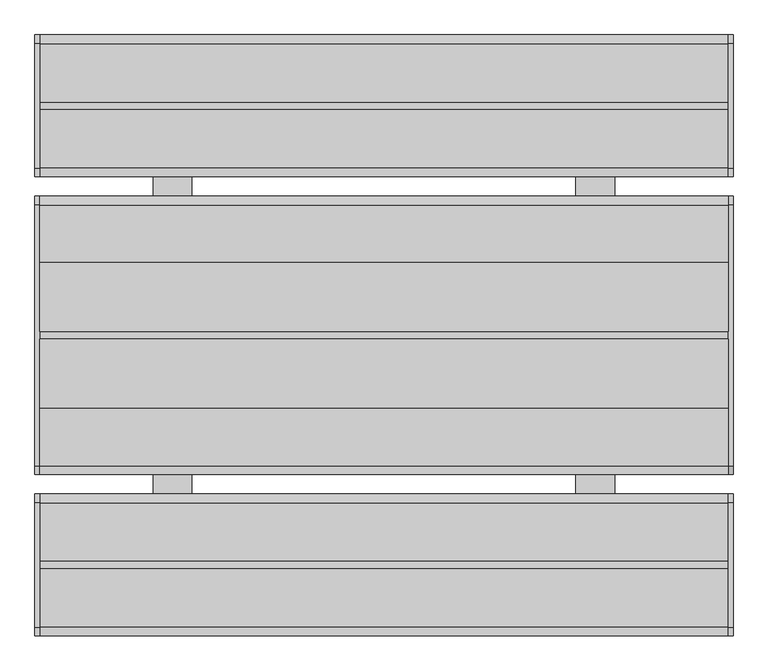
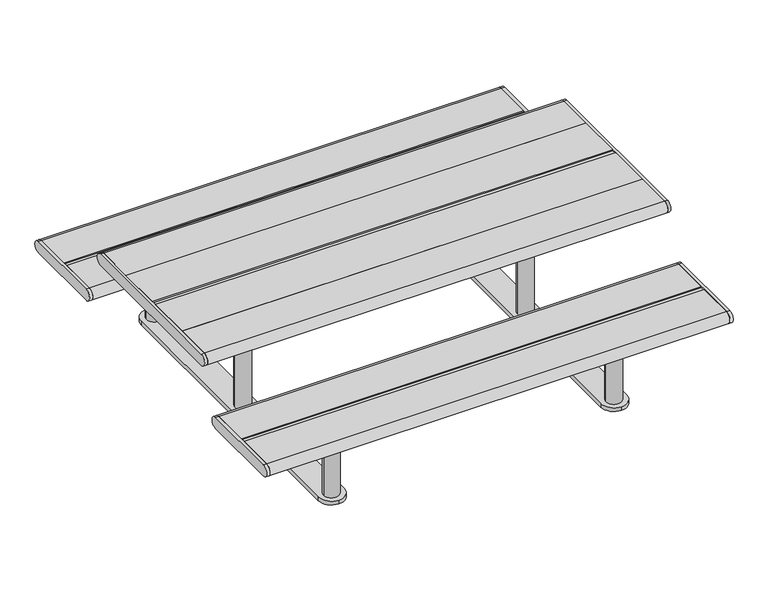
"""IFC4 building model written with IfcOpenShell, lengths in millimetres: furniture geometry."""

from ifc_helpers import new_model, si_unit, point, frame, frame_2d, origin, origin_with_axes, place, context, project, spatial, polyline, circle_curve, trimmed, segment, composite_curve, outline, extrude, source, transform, mapped, element, save


def furniture_7a754600(model_context):
    return source(origin(), model_context, "Body", "SweptSolid", [
        extrude(outline(composite_curve([segment(trimmed(circle_curve(frame_2d((590.0, 120.0)), 5.0), [point((590.0, 125.0))], [point((595.0, 120.0))], False, "CARTESIAN"), True, "CONTINUOUS"), segment(polyline([(595.0, 120.0), (595.0, -120.0)]), True, "CONTINUOUS"), segment(trimmed(circle_curve(frame_2d((590.0, -120.0)), 5.0), [point((595.0, -120.0))], [point((590.0, -125.0))], False, "CARTESIAN"), True, "CONTINUOUS"), segment(polyline([(590.0, -125.0), (500.0, -125.0)]), True, "CONTINUOUS"), segment(trimmed(circle_curve(frame_2d((500.0, -120.0)), 5.0), [point((500.0, -125.0))], [point((495.0, -120.0))], False, "CARTESIAN"), True, "CONTINUOUS"), segment(polyline([(495.0, -120.0), (495.0, 120.0)]), True, "CONTINUOUS"), segment(trimmed(circle_curve(frame_2d((500.0, 120.0)), 5.0), [point((495.0, 120.0))], [point((500.0, 125.0))], False, "CARTESIAN"), True, "CONTINUOUS"), segment(polyline([(500.0, 125.0), (590.0, 125.0)]), True, "CONTINUOUS")], self_intersect=False)), frame((0.0, 0.0, 489.0), z_axis=(0.0, 0.0, 1.0), x_axis=(1.0, 0.0, 0.0)), (0.0, 0.0, 1.0), 7.85),
        extrude(outline(composite_curve([segment(trimmed(circle_curve(frame_2d((590.0, 295.0)), 5.0), [point((590.0, 300.0))], [point((595.0, 295.0))], False, "CARTESIAN"), True, "CONTINUOUS"), segment(polyline([(595.0, 295.0), (595.0, -295.0)]), True, "CONTINUOUS"), segment(trimmed(circle_curve(frame_2d((590.0, -295.0)), 5.0), [point((595.0, -295.0))], [point((590.0, -300.0))], False, "CARTESIAN"), True, "CONTINUOUS"), segment(polyline([(590.0, -300.0), (500.0, -300.0)]), True, "CONTINUOUS"), segment(trimmed(circle_curve(frame_2d((500.0, -295.0)), 5.0), [point((500.0, -300.0))], [point((495.0, -295.0))], False, "CARTESIAN"), True, "CONTINUOUS"), segment(polyline([(495.0, -295.0), (495.0, 295.0)]), True, "CONTINUOUS"), segment(trimmed(circle_curve(frame_2d((500.0, 295.0)), 5.0), [point((495.0, 295.0))], [point((500.0, 300.0))], False, "CARTESIAN"), True, "CONTINUOUS"), segment(polyline([(500.0, 300.0), (590.0, 300.0)]), True, "CONTINUOUS")], self_intersect=False)), frame((0.0, 0.0, 496.85), z_axis=(0.0, 0.0, 1.0), x_axis=(1.0, 0.0, 0.0)), (0.0, 0.0, 1.0), 7.85),
        extrude(outline(composite_curve([segment(polyline([(-590.0, 125.0), (-500.0, 125.0)]), True, "CONTINUOUS"), segment(trimmed(circle_curve(frame_2d((-500.0, 120.0)), 5.0), [point((-500.0, 125.0))], [point((-495.0, 120.0))], False, "CARTESIAN"), True, "CONTINUOUS"), segment(polyline([(-495.0, 120.0), (-495.0, -120.0)]), True, "CONTINUOUS"), segment(trimmed(circle_curve(frame_2d((-500.0, -120.0)), 5.0), [point((-495.0, -120.0))], [point((-500.0, -125.0))], False, "CARTESIAN"), True, "CONTINUOUS"), segment(polyline([(-500.0, -125.0), (-590.0, -125.0)]), True, "CONTINUOUS"), segment(trimmed(circle_curve(frame_2d((-590.0, -120.0)), 5.0), [point((-590.0, -125.0))], [point((-595.0, -120.0))], False, "CARTESIAN"), True, "CONTINUOUS"), segment(polyline([(-595.0, -120.0), (-595.0, 120.0)]), True, "CONTINUOUS"), segment(trimmed(circle_curve(frame_2d((-590.0, 120.0)), 5.0), [point((-595.0, 120.0))], [point((-590.0, 125.0))], False, "CARTESIAN"), True, "CONTINUOUS")], self_intersect=False)), frame((0.0, 0.0, 489.0), z_axis=(0.0, 0.0, 1.0), x_axis=(1.0, 0.0, 0.0)), (0.0, 0.0, 1.0), 7.85),
        extrude(outline(composite_curve([segment(polyline([(-590.0, 300.0), (-500.0, 300.0)]), True, "CONTINUOUS"), segment(trimmed(circle_curve(frame_2d((-500.0, 295.0)), 5.0), [point((-500.0, 300.0))], [point((-495.0, 295.0))], False, "CARTESIAN"), True, "CONTINUOUS"), segment(polyline([(-495.0, 295.0), (-495.0, -295.0)]), True, "CONTINUOUS"), segment(trimmed(circle_curve(frame_2d((-500.0, -295.0)), 5.0), [point((-495.0, -295.0))], [point((-500.0, -300.0))], False, "CARTESIAN"), True, "CONTINUOUS"), segment(polyline([(-500.0, -300.0), (-590.0, -300.0)]), True, "CONTINUOUS"), segment(trimmed(circle_curve(frame_2d((-590.0, -295.0)), 5.0), [point((-590.0, -300.0))], [point((-595.0, -295.0))], False, "CARTESIAN"), True, "CONTINUOUS"), segment(polyline([(-595.0, -295.0), (-595.0, 295.0)]), True, "CONTINUOUS"), segment(trimmed(circle_curve(frame_2d((-590.0, 295.0)), 5.0), [point((-595.0, 295.0))], [point((-590.0, 300.0))], False, "CARTESIAN"), True, "CONTINUOUS")], self_intersect=False)), frame((0.0, 0.0, 496.85), z_axis=(0.0, 0.0, 1.0), x_axis=(1.0, 0.0, 0.0)), (0.0, 0.0, 1.0), 7.85),
        extrude(outline(polyline([(888.0, -10.0), (888.0, -187.75), (-887.5, -187.75), (-887.5, -10.0), (888.0, -10.0)])), frame((0.0, 0.0, 504.7), z_axis=(0.0, 0.0, 1.0), x_axis=(1.0, 0.0, 0.0)), (0.0, 0.0, 1.0), 45.0),
        extrude(outline(polyline([(888.0, 187.75), (888.0, 10.0), (-887.5, 10.0), (-887.5, 187.75), (888.0, 187.75)])), frame((0.0, 0.0, 504.7), z_axis=(0.0, 0.0, 1.0), x_axis=(1.0, 0.0, 0.0)), (0.0, 0.0, 1.0), 45.0),
        extrude(outline(composite_curve([segment(polyline([(187.75, 549.7), (336.4998635, 549.7)]), True, "CONTINUOUS"), segment(trimmed(circle_curve(frame_2d((336.4998635, 527.2)), 22.5), [point((336.4998635, 549.7))], [point((336.4998635, 504.7))], False, "CARTESIAN"), True, "CONTINUOUS"), segment(polyline([(336.4998635, 504.7), (187.75, 504.7), (187.75, 549.7)]), True, "CONTINUOUS")], self_intersect=False)), frame((-887.5, 0.0, 0.0), z_axis=(1.0, 0.0, 0.0), x_axis=(0.0, 1.0, 0.0)), (0.0, 0.0, 1.0), 1775.5),
        extrude(outline(composite_curve([segment(polyline([(-187.75, 549.7), (-187.75, 504.7), (-336.4998635, 504.7)]), True, "CONTINUOUS"), segment(trimmed(circle_curve(frame_2d((-336.4998635, 527.2)), 22.5), [point((-336.4998635, 504.7))], [point((-336.4998635, 549.7))], False, "CARTESIAN"), True, "CONTINUOUS"), segment(polyline([(-336.4998635, 549.7), (-187.75, 549.7)]), True, "CONTINUOUS")], self_intersect=False)), frame((-887.5, 0.0, 0.0), z_axis=(1.0, 0.0, 0.0), x_axis=(0.0, 1.0, 0.0)), (0.0, 0.0, 1.0), 1775.5),
        extrude(outline(polyline([(888.0, 10.0), (888.0, -10.0), (-887.5, -10.0), (-887.5, 10.0), (888.0, 10.0)])), frame((0.0, 0.0, 504.7), z_axis=(0.0, 0.0, 1.0), x_axis=(1.0, 0.0, 0.0)), (0.0, 0.0, 1.0), 40.0),
        extrude(outline(composite_curve([segment(trimmed(circle_curve(frame_2d((336.5, 527.2)), 22.5), [point((336.5, 549.7))], [point((336.5, 504.7))], False, "CARTESIAN"), True, "CONTINUOUS"), segment(polyline([(336.5, 504.7), (-336.5, 504.7)]), True, "CONTINUOUS"), segment(trimmed(circle_curve(frame_2d((-336.5, 527.2)), 22.5), [point((-336.5, 504.7))], [point((-336.5, 549.7))], False, "CARTESIAN"), True, "CONTINUOUS"), segment(polyline([(-336.5, 549.7), (336.5, 549.7)]), True, "CONTINUOUS")], self_intersect=False)), frame((888.0, 0.0, 0.0), z_axis=(1.0, 0.0, 0.0), x_axis=(0.0, 1.0, 0.0)), (0.0, 0.0, 1.0), 12.0),
        extrude(outline(composite_curve([segment(trimmed(circle_curve(frame_2d((336.5, 527.2)), 22.5), [point((336.5, 549.7))], [point((336.5, 504.7))], False, "CARTESIAN"), True, "CONTINUOUS"), segment(polyline([(336.5, 504.7), (-336.5, 504.7)]), True, "CONTINUOUS"), segment(trimmed(circle_curve(frame_2d((-336.5, 527.2)), 22.5), [point((-336.5, 504.7))], [point((-336.5, 549.7))], False, "CARTESIAN"), True, "CONTINUOUS"), segment(polyline([(-336.5, 549.7), (336.5, 549.7)]), True, "CONTINUOUS")], self_intersect=False)), frame((-899.5, 0.0, 0.0), z_axis=(1.0, 0.0, 0.0), x_axis=(0.0, 1.0, 0.0)), (0.0, 0.0, 1.0), 12.0),
        extrude(outline(composite_curve([segment(trimmed(circle_curve(frame_2d((752.5, 327.2)), 22.5), [point((752.5, 349.7))], [point((752.5, 304.7))], False, "CARTESIAN"), True, "CONTINUOUS"), segment(polyline([(752.5, 304.7), (431.5, 304.7)]), True, "CONTINUOUS"), segment(trimmed(circle_curve(frame_2d((431.5, 327.2)), 22.5), [point((431.5, 304.7))], [point((431.5, 349.7))], False, "CARTESIAN"), True, "CONTINUOUS"), segment(polyline([(431.5, 349.7), (752.5, 349.7)]), True, "CONTINUOUS")], self_intersect=False)), frame((888.0, 0.0, 0.0), z_axis=(1.0, 0.0, 0.0), x_axis=(0.0, 1.0, 0.0)), (0.0, 0.0, 1.0), 12.0),
        extrude(outline(composite_curve([segment(trimmed(circle_curve(frame_2d((752.5, 327.2)), 22.5), [point((752.5, 349.7))], [point((752.5, 304.7))], False, "CARTESIAN"), True, "CONTINUOUS"), segment(polyline([(752.5, 304.7), (431.5, 304.7)]), True, "CONTINUOUS"), segment(trimmed(circle_curve(frame_2d((431.5, 327.2)), 22.5), [point((431.5, 304.7))], [point((431.5, 349.7))], False, "CARTESIAN"), True, "CONTINUOUS"), segment(polyline([(431.5, 349.7), (752.5, 349.7)]), True, "CONTINUOUS")], self_intersect=False)), frame((-899.5, 0.0, 0.0), z_axis=(1.0, 0.0, 0.0), x_axis=(0.0, 1.0, 0.0)), (0.0, 0.0, 1.0), 12.0),
        extrude(outline(composite_curve([segment(polyline([(-752.5, 349.7), (-431.5, 349.7)]), True, "CONTINUOUS"), segment(trimmed(circle_curve(frame_2d((-431.5, 327.2)), 22.5), [point((-431.5, 349.7))], [point((-431.5, 304.7))], False, "CARTESIAN"), True, "CONTINUOUS"), segment(polyline([(-431.5, 304.7), (-752.5, 304.7)]), True, "CONTINUOUS"), segment(trimmed(circle_curve(frame_2d((-752.5, 327.2)), 22.5), [point((-752.5, 304.7))], [point((-752.5, 349.7))], False, "CARTESIAN"), True, "CONTINUOUS")], self_intersect=False)), frame((888.0, 0.0, 0.0), z_axis=(1.0, 0.0, 0.0), x_axis=(0.0, 1.0, 0.0)), (0.0, 0.0, 1.0), 12.0),
        extrude(outline(composite_curve([segment(polyline([(-752.5, 349.7), (-431.5, 349.7)]), True, "CONTINUOUS"), segment(trimmed(circle_curve(frame_2d((-431.5, 327.2)), 22.5), [point((-431.5, 349.7))], [point((-431.5, 304.7))], False, "CARTESIAN"), True, "CONTINUOUS"), segment(polyline([(-431.5, 304.7), (-752.5, 304.7)]), True, "CONTINUOUS"), segment(trimmed(circle_curve(frame_2d((-752.5, 327.2)), 22.5), [point((-752.5, 304.7))], [point((-752.5, 349.7))], False, "CARTESIAN"), True, "CONTINUOUS")], self_intersect=False)), frame((-899.5, 0.0, 0.0), z_axis=(1.0, 0.0, 0.0), x_axis=(0.0, 1.0, 0.0)), (0.0, 0.0, 1.0), 12.0),
        extrude(outline(composite_curve([segment(polyline([(590.0, -717.0), (500.0, -717.0)]), True, "CONTINUOUS"), segment(trimmed(circle_curve(frame_2d((500.0, -712.0)), 5.0), [point((500.0, -717.0))], [point((495.0, -712.0))], False, "CARTESIAN"), True, "CONTINUOUS"), segment(polyline([(495.0, -712.0), (495.0, -472.0)]), True, "CONTINUOUS"), segment(trimmed(circle_curve(frame_2d((500.0, -472.0)), 5.0), [point((495.0, -472.0))], [point((500.0, -467.0))], False, "CARTESIAN"), True, "CONTINUOUS"), segment(polyline([(500.0, -467.0), (590.0, -467.0)]), True, "CONTINUOUS"), segment(trimmed(circle_curve(frame_2d((590.0, -472.0)), 5.0), [point((590.0, -467.0))], [point((595.0, -472.0))], False, "CARTESIAN"), True, "CONTINUOUS"), segment(polyline([(595.0, -472.0), (595.0, -712.0)]), True, "CONTINUOUS"), segment(trimmed(circle_curve(frame_2d((590.0, -712.0)), 5.0), [point((595.0, -712.0))], [point((590.0, -717.0))], False, "CARTESIAN"), True, "CONTINUOUS")], self_intersect=False)), frame((0.0, 0.0, 289.0), z_axis=(0.0, 0.0, 1.0), x_axis=(1.0, 0.0, 0.0)), (0.0, 0.0, 1.0), 15.7),
        extrude(outline(composite_curve([segment(trimmed(circle_curve(frame_2d((590.0, 712.0)), 5.0), [point((590.0, 717.0))], [point((595.0, 712.0))], False, "CARTESIAN"), True, "CONTINUOUS"), segment(polyline([(595.0, 712.0), (595.0, 472.0)]), True, "CONTINUOUS"), segment(trimmed(circle_curve(frame_2d((590.0, 472.0)), 5.0), [point((595.0, 472.0))], [point((590.0, 467.0))], False, "CARTESIAN"), True, "CONTINUOUS"), segment(polyline([(590.0, 467.0), (500.0, 467.0)]), True, "CONTINUOUS"), segment(trimmed(circle_curve(frame_2d((500.0, 472.0)), 5.0), [point((500.0, 467.0))], [point((495.0, 472.0))], False, "CARTESIAN"), True, "CONTINUOUS"), segment(polyline([(495.0, 472.0), (495.0, 712.0)]), True, "CONTINUOUS"), segment(trimmed(circle_curve(frame_2d((500.0, 712.0)), 5.0), [point((495.0, 712.0))], [point((500.0, 717.0))], False, "CARTESIAN"), True, "CONTINUOUS"), segment(polyline([(500.0, 717.0), (590.0, 717.0)]), True, "CONTINUOUS")], self_intersect=False)), frame((0.0, 0.0, 289.0), z_axis=(0.0, 0.0, 1.0), x_axis=(1.0, 0.0, 0.0)), (0.0, 0.0, 1.0), 15.7),
        extrude(outline(composite_curve([segment(trimmed(circle_curve(frame_2d((-590.0, -712.0)), 5.0), [point((-590.0, -717.0))], [point((-595.0, -712.0))], False, "CARTESIAN"), True, "CONTINUOUS"), segment(polyline([(-595.0, -712.0), (-595.0, -472.0)]), True, "CONTINUOUS"), segment(trimmed(circle_curve(frame_2d((-590.0, -472.0)), 5.0), [point((-595.0, -472.0))], [point((-590.0, -467.0))], False, "CARTESIAN"), True, "CONTINUOUS"), segment(polyline([(-590.0, -467.0), (-500.0, -467.0)]), True, "CONTINUOUS"), segment(trimmed(circle_curve(frame_2d((-500.0, -472.0)), 5.0), [point((-500.0, -467.0))], [point((-495.0, -472.0))], False, "CARTESIAN"), True, "CONTINUOUS"), segment(polyline([(-495.0, -472.0), (-495.0, -712.0)]), True, "CONTINUOUS"), segment(trimmed(circle_curve(frame_2d((-500.0, -712.0)), 5.0), [point((-495.0, -712.0))], [point((-500.0, -717.0))], False, "CARTESIAN"), True, "CONTINUOUS"), segment(polyline([(-500.0, -717.0), (-590.0, -717.0)]), True, "CONTINUOUS")], self_intersect=False)), frame((0.0, 0.0, 289.0), z_axis=(0.0, 0.0, 1.0), x_axis=(1.0, 0.0, 0.0)), (0.0, 0.0, 1.0), 15.7),
        extrude(outline(composite_curve([segment(polyline([(-590.0, 717.0), (-500.0, 717.0)]), True, "CONTINUOUS"), segment(trimmed(circle_curve(frame_2d((-500.0, 712.0)), 5.0), [point((-500.0, 717.0))], [point((-495.0, 712.0))], False, "CARTESIAN"), True, "CONTINUOUS"), segment(polyline([(-495.0, 712.0), (-495.0, 472.0)]), True, "CONTINUOUS"), segment(trimmed(circle_curve(frame_2d((-500.0, 472.0)), 5.0), [point((-495.0, 472.0))], [point((-500.0, 467.0))], False, "CARTESIAN"), True, "CONTINUOUS"), segment(polyline([(-500.0, 467.0), (-590.0, 467.0)]), True, "CONTINUOUS"), segment(trimmed(circle_curve(frame_2d((-590.0, 472.0)), 5.0), [point((-590.0, 467.0))], [point((-595.0, 472.0))], False, "CARTESIAN"), True, "CONTINUOUS"), segment(polyline([(-595.0, 472.0), (-595.0, 712.0)]), True, "CONTINUOUS"), segment(trimmed(circle_curve(frame_2d((-590.0, 712.0)), 5.0), [point((-595.0, 712.0))], [point((-590.0, 717.0))], False, "CARTESIAN"), True, "CONTINUOUS")], self_intersect=False)), frame((0.0, 0.0, 289.0), z_axis=(0.0, 0.0, 1.0), x_axis=(1.0, 0.0, 0.0)), (0.0, 0.0, 1.0), 15.7),
        extrude(outline(composite_curve([segment(polyline([(602.0, 349.7), (752.4998424, 349.7)]), True, "CONTINUOUS"), segment(trimmed(circle_curve(frame_2d((752.4998424, 327.2)), 22.5), [point((752.4998424, 349.7))], [point((752.4998424, 304.7))], False, "CARTESIAN"), True, "CONTINUOUS"), segment(polyline([(752.4998424, 304.7), (602.0, 304.7), (602.0, 349.7)]), True, "CONTINUOUS")], self_intersect=False)), frame((-887.5, 0.0, 0.0), z_axis=(1.0, 0.0, 0.0), x_axis=(0.0, 1.0, 0.0)), (0.0, 0.0, 1.0), 1775.5),
        extrude(outline(composite_curve([segment(polyline([(-582.0, 349.7), (-431.5001576, 349.7)]), True, "CONTINUOUS"), segment(trimmed(circle_curve(frame_2d((-431.5001576, 327.2)), 22.5), [point((-431.5001576, 349.7))], [point((-431.5001576, 304.7))], False, "CARTESIAN"), True, "CONTINUOUS"), segment(polyline([(-431.5001576, 304.7), (-582.0, 304.7), (-582.0, 349.7)]), True, "CONTINUOUS")], self_intersect=False)), frame((-887.5, 0.0, 0.0), z_axis=(1.0, 0.0, 0.0), x_axis=(0.0, 1.0, 0.0)), (0.0, 0.0, 1.0), 1775.5),
        extrude(outline(composite_curve([segment(polyline([(-602.0, 349.7), (-602.0, 304.7), (-752.4998424, 304.7)]), True, "CONTINUOUS"), segment(trimmed(circle_curve(frame_2d((-752.4998424, 327.2)), 22.5), [point((-752.4998424, 304.7))], [point((-752.4998424, 349.7))], False, "CARTESIAN"), True, "CONTINUOUS"), segment(polyline([(-752.4998424, 349.7), (-602.0, 349.7)]), True, "CONTINUOUS")], self_intersect=False)), frame((-887.5, 0.0, 0.0), z_axis=(1.0, 0.0, 0.0), x_axis=(0.0, 1.0, 0.0)), (0.0, 0.0, 1.0), 1775.5),
        extrude(outline(polyline([(888.0, -582.0), (888.0, -602.0), (-887.5, -602.0), (-887.5, -582.0), (888.0, -582.0)])), frame((0.0, 0.0, 304.7), z_axis=(0.0, 0.0, 1.0), x_axis=(1.0, 0.0, 0.0)), (0.0, 0.0, 1.0), 40.0),
        extrude(outline(composite_curve([segment(polyline([(582.0, 349.7), (582.0, 304.7), (431.5001576, 304.7)]), True, "CONTINUOUS"), segment(trimmed(circle_curve(frame_2d((431.5001576, 327.2)), 22.5), [point((431.5001576, 304.7))], [point((431.5001576, 349.7))], False, "CARTESIAN"), True, "CONTINUOUS"), segment(polyline([(431.5001576, 349.7), (582.0, 349.7)]), True, "CONTINUOUS")], self_intersect=False)), frame((-887.5, 0.0, 0.0), z_axis=(1.0, 0.0, 0.0), x_axis=(0.0, 1.0, 0.0)), (0.0, 0.0, 1.0), 1775.5),
        extrude(outline(polyline([(888.0, 602.0), (888.0, 582.0), (-887.5, 582.0), (-887.5, 602.0), (888.0, 602.0)])), frame((0.0, 0.0, 304.7), z_axis=(0.0, 0.0, 1.0), x_axis=(1.0, 0.0, 0.0)), (0.0, 0.0, 1.0), 40.0),
        extrude(outline(composite_curve([segment(trimmed(circle_curve(frame_2d((545.0, 0.0)), 30.0), [point((575.0, 0.0))], [point((515.0, 0.0))], False, "CARTESIAN"), True, "CONTINUOUS"), segment(trimmed(circle_curve(frame_2d((545.0, 0.0)), 30.0), [point((515.0, 0.0))], [point((575.0, 0.0))], False, "CARTESIAN"), True, "CONTINUOUS")], self_intersect=False)), frame((0.0, 0.0, 15.0), z_axis=(0.0, 0.0, 1.0), x_axis=(1.0, 0.0, 0.0)), (0.0, 0.0, 1.0), 474.0),
        extrude(outline(composite_curve([segment(trimmed(circle_curve(frame_2d((545.0, -592.0)), 30.0), [point((575.0, -592.0))], [point((515.0, -592.0))], False, "CARTESIAN"), True, "CONTINUOUS"), segment(trimmed(circle_curve(frame_2d((545.0, -592.0)), 30.0), [point((515.0, -592.0))], [point((575.0, -592.0))], False, "CARTESIAN"), True, "CONTINUOUS")], self_intersect=False)), frame((0.0, 0.0, 15.0), z_axis=(0.0, 0.0, 1.0), x_axis=(1.0, 0.0, 0.0)), (0.0, 0.0, 1.0), 274.0),
        extrude(outline(composite_curve([segment(trimmed(circle_curve(frame_2d((545.0, 592.0)), 30.0), [point((575.0, 592.0))], [point((515.0, 592.0))], False, "CARTESIAN"), True, "CONTINUOUS"), segment(trimmed(circle_curve(frame_2d((545.0, 592.0)), 30.0), [point((515.0, 592.0))], [point((575.0, 592.0))], False, "CARTESIAN"), True, "CONTINUOUS")], self_intersect=False)), frame((0.0, 0.0, 15.0), z_axis=(0.0, 0.0, 1.0), x_axis=(1.0, 0.0, 0.0)), (0.0, 0.0, 1.0), 274.0),
        extrude(outline(composite_curve([segment(trimmed(circle_curve(frame_2d((-545.0, 0.0)), 30.0), [point((-575.0, 0.0))], [point((-515.0, 0.0))], False, "CARTESIAN"), True, "CONTINUOUS"), segment(trimmed(circle_curve(frame_2d((-545.0, 0.0)), 30.0), [point((-515.0, 0.0))], [point((-575.0, 0.0))], False, "CARTESIAN"), True, "CONTINUOUS")], self_intersect=False)), frame((0.0, 0.0, 15.0), z_axis=(0.0, 0.0, 1.0), x_axis=(1.0, 0.0, 0.0)), (0.0, 0.0, 1.0), 474.0),
        extrude(outline(composite_curve([segment(trimmed(circle_curve(frame_2d((-545.0, -592.0)), 30.0), [point((-575.0, -592.0))], [point((-515.0, -592.0))], False, "CARTESIAN"), True, "CONTINUOUS"), segment(trimmed(circle_curve(frame_2d((-545.0, -592.0)), 30.0), [point((-515.0, -592.0))], [point((-575.0, -592.0))], False, "CARTESIAN"), True, "CONTINUOUS")], self_intersect=False)), frame((0.0, 0.0, 15.0), z_axis=(0.0, 0.0, 1.0), x_axis=(1.0, 0.0, 0.0)), (0.0, 0.0, 1.0), 274.0),
        extrude(outline(composite_curve([segment(trimmed(circle_curve(frame_2d((-545.0, 592.0)), 30.0), [point((-575.0, 592.0))], [point((-515.0, 592.0))], False, "CARTESIAN"), True, "CONTINUOUS"), segment(trimmed(circle_curve(frame_2d((-545.0, 592.0)), 30.0), [point((-515.0, 592.0))], [point((-575.0, 592.0))], False, "CARTESIAN"), True, "CONTINUOUS")], self_intersect=False)), frame((0.0, 0.0, 15.0), z_axis=(0.0, 0.0, 1.0), x_axis=(1.0, 0.0, 0.0)), (0.0, 0.0, 1.0), 274.0),
        extrude(outline(composite_curve([segment(polyline([(-595.0, -592.0), (-595.0, 592.0)]), True, "CONTINUOUS"), segment(trimmed(circle_curve(frame_2d((-545.0, 592.0)), 50.0), [point((-595.0, 592.0))], [point((-495.0, 592.0))], False, "CARTESIAN"), True, "CONTINUOUS"), segment(polyline([(-495.0, 592.0), (-495.0, -592.0)]), True, "CONTINUOUS"), segment(trimmed(circle_curve(frame_2d((-545.0, -592.0)), 50.0), [point((-495.0, -592.0))], [point((-545.0, -642.0))], False, "CARTESIAN"), True, "CONTINUOUS"), segment(trimmed(circle_curve(frame_2d((-545.0, -592.0)), 50.0), [point((-545.0, -642.0))], [point((-595.0, -592.0))], False, "CARTESIAN"), True, "CONTINUOUS")], self_intersect=False)), origin_with_axes(), (0.0, 0.0, 1.0), 15.0),
        extrude(outline(composite_curve([segment(trimmed(circle_curve(frame_2d((545.0, -592.0)), 50.0), [point((595.0, -592.0))], [point((545.0, -642.0))], False, "CARTESIAN"), True, "CONTINUOUS"), segment(trimmed(circle_curve(frame_2d((545.0, -592.0)), 50.0), [point((545.0, -642.0))], [point((495.0, -592.0))], False, "CARTESIAN"), True, "CONTINUOUS"), segment(polyline([(495.0, -592.0), (495.0, 592.0)]), True, "CONTINUOUS"), segment(trimmed(circle_curve(frame_2d((545.0, 592.0)), 50.0), [point((495.0, 592.0))], [point((595.0, 592.0))], False, "CARTESIAN"), True, "CONTINUOUS"), segment(polyline([(595.0, 592.0), (595.0, -592.0)]), True, "CONTINUOUS")], self_intersect=False)), origin_with_axes(), (0.0, 0.0, 1.0), 15.0),
    ])


if __name__ == "__main__":
    model = new_model("IFC4")
    model_context = context("Model", 3, world=origin())
    ifc_project = project(units=[si_unit("LENGTHUNIT", "METRE", prefix="MILLI")], contexts=[model_context])
    site = spatial("IfcSite", under=ifc_project)
    building = spatial("IfcBuilding", under=site)
    placement = place(None, origin())
    furniture_shape = furniture_7a754600(model_context)
    element("IfcFurniture", 1, at=placement, inside=building, context=model_context, shape_type="MappedRepresentation", body=[
        mapped(furniture_shape, transform((0.0, 0.0, 0.0), x_axis=(1.0, 0.0, 0.0), y_axis=(0.0, 1.0, 0.0), z_axis=(0.0, 0.0, 1.0))),
    ])
    save(model, "model.ifc")
